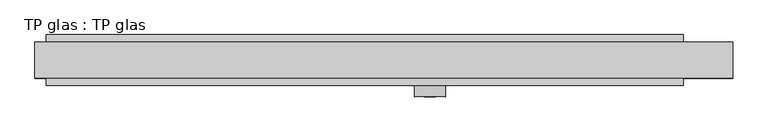
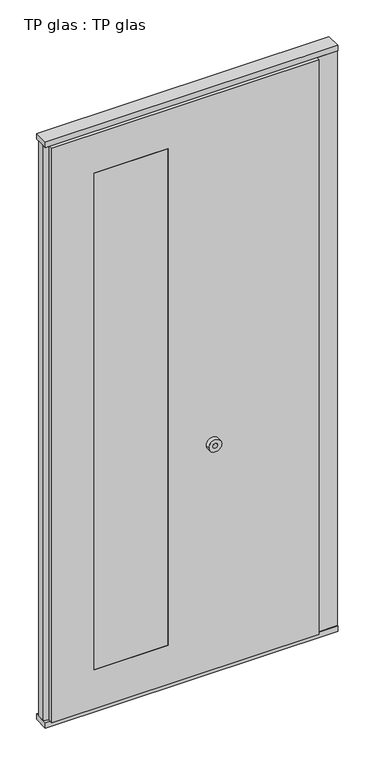
"""IFC4 building model written with IfcOpenShell, lengths in millimetres: plate geometry, TP glas : TP glas."""

import ifcopenshell
import ifcopenshell.guid

model = None  # the IFC model being written
_history = None  # IfcOwnerHistory: only IFC2X3 demands one
_inside = {}  # id of a spatial element -> (the spatial element, [elements in it])
_under = {}  # id of a project, library or spatial element -> (it, [spatial elements below it])
_declared = {}  # id of a project -> (the project, [libraries it declares])
_typed = {}  # id of a type object -> (the type object, [elements of that type])
_made_of = {}  # id of a material, layer set ... -> (it, [elements and type objects made of it])


def new_model(schema):
    """Start an empty IFC model of exactly this schema.

    Asked for "IFC4X3", IfcOpenShell would pick the latest addendum, in which some entities
    have other attributes; the version numbers below select the first issue.
    IFC2X3 requires an IfcOwnerHistory on every rooted entity: one is made here for all.
    """
    global model, _history
    if schema == "IFC4X3":
        model = ifcopenshell.file(schema_version=(4, 3, 0, 0))
    else:
        model = ifcopenshell.file(schema=schema)
    _inside.clear()
    _under.clear()
    _declared.clear()
    _typed.clear()
    _made_of.clear()
    _history = None
    if model.schema == "IFC2X3":
        org = make("IfcOrganization", Name="unknown")
        user = make(
            "IfcPersonAndOrganization",
            ThePerson=make("IfcPerson", FamilyName="unknown"),
            TheOrganization=org,
        )
        app = make(
            "IfcApplication",
            ApplicationDeveloper=org,
            Version="unknown",
            ApplicationFullName="unknown",
            ApplicationIdentifier="unknown",
        )
        _history = make(
            "IfcOwnerHistory",
            OwningUser=user,
            OwningApplication=app,
            ChangeAction="ADDED",
            CreationDate=0,
        )
    return model


def make(cls, **values):
    """One entity of the class cls with the attributes given. An attribute that is None is left unset."""
    return model.create_entity(
        cls, **{name: value for name, value in values.items() if value is not None}
    )


def rooted(cls, **values):
    """An entity with a GlobalId (a new one), such as an element, a storey or a relation."""
    return make(cls, GlobalId=ifcopenshell.guid.new(), OwnerHistory=_history, **values)


def si_unit(unit_type, name, prefix=None):
    """IfcSIUnit, for example si_unit("LENGTHUNIT", "METRE", prefix="MILLI")."""
    return make("IfcSIUnit", UnitType=unit_type, Prefix=prefix, Name=name)


def assignment(units):
    """IfcUnitAssignment: the units of a project."""
    return None if units is None else make("IfcUnitAssignment", Units=units)


def point(xyz):
    """IfcCartesianPoint."""
    return None if xyz is None else make("IfcCartesianPoint", Coordinates=xyz)


def direction(xyz):
    """IfcDirection."""
    return None if xyz is None else make("IfcDirection", DirectionRatios=xyz)


def frame(location, z_axis=None, x_axis=None):
    """IfcAxis2Placement3D, a coordinate frame: its origin and axes. An axis left out is left unset."""
    return make(
        "IfcAxis2Placement3D",
        Location=point(location),
        Axis=direction(z_axis),
        RefDirection=direction(x_axis),
    )


def frame_2d(location, x_axis=None):
    """IfcAxis2Placement2D, a coordinate frame in the plane: its origin and x axis."""
    return make(
        "IfcAxis2Placement2D", Location=point(location), RefDirection=direction(x_axis)
    )


def origin():
    """The frame at (0, 0, 0) with its axes left unset."""
    return frame((0.0, 0.0, 0.0))


def origin_with_axes():
    """The frame at (0, 0, 0) with the z axis (0, 0, 1) and the x axis (1, 0, 0) written out."""
    return frame((0.0, 0.0, 0.0), z_axis=(0.0, 0.0, 1.0), x_axis=(1.0, 0.0, 0.0))


def place(relative_to, where):
    """IfcLocalPlacement: puts the frame where relative to a parent placement (None: the world)."""
    return make(
        "IfcLocalPlacement", PlacementRelTo=relative_to, RelativePlacement=where
    )


def context(
    kind, dimensions, precision=None, world=None, true_north=None, identifier=None
):
    """IfcGeometricRepresentationContext, for example the 3D "Model" context."""
    return make(
        "IfcGeometricRepresentationContext",
        ContextIdentifier=identifier,
        ContextType=kind,
        CoordinateSpaceDimension=dimensions,
        Precision=precision,
        WorldCoordinateSystem=world,
        TrueNorth=true_north,
    )


def project(units=None, contexts=None):
    """IfcProject with its units and contexts."""
    return rooted(
        "IfcProject",
        Name="project",
        RepresentationContexts=contexts,
        UnitsInContext=assignment(units),
    )


def spatial(cls, under=None, at=None, **own):
    """A site, building, storey or space (cls), placed at a placement, below another one or the project."""
    s = rooted(cls, ObjectPlacement=at, **own)
    if under is not None:
        _under.setdefault(under.id(), (under, []))[1].append(s)
    return s


def polyline(points):
    """IfcPolyline through the points."""
    return make("IfcPolyline", Points=[point(p) for p in points])


def circle_curve(where, radius):
    """IfcCircle in the frame where."""
    return make("IfcCircle", Position=where, Radius=radius)


def trimmed(basis, trim1, trim2, sense, master):
    """IfcTrimmedCurve: the piece of a basis curve between two trims."""
    return make(
        "IfcTrimmedCurve",
        BasisCurve=basis,
        Trim1=trim1,
        Trim2=trim2,
        SenseAgreement=sense,
        MasterRepresentation=master,
    )


def segment(curve, same_sense, transition):
    """IfcCompositeCurveSegment."""
    return make(
        "IfcCompositeCurveSegment",
        Transition=transition,
        SameSense=same_sense,
        ParentCurve=curve,
    )


def composite_curve(segments, self_intersect=None):
    """IfcCompositeCurve: segments joined end to end."""
    return make("IfcCompositeCurve", Segments=segments, SelfIntersect=self_intersect)


def outline(outer, holes=None, kind="AREA"):
    """IfcArbitraryClosedProfileDef: a profile drawn as a closed curve; with holes, ...WithVoids."""
    if holes is None:
        return make("IfcArbitraryClosedProfileDef", ProfileType=kind, OuterCurve=outer)
    return make(
        "IfcArbitraryProfileDefWithVoids",
        ProfileType=kind,
        OuterCurve=outer,
        InnerCurves=holes,
    )


def extrude(swept, where, along, depth):
    """IfcExtrudedAreaSolid: the profile swept, set in the frame where, extruded along a direction by depth."""
    return make(
        "IfcExtrudedAreaSolid",
        SweptArea=swept,
        Position=where,
        ExtrudedDirection=direction(along),
        Depth=depth,
    )


def faces_of(points, faces, orient=None, outer=None):
    """IfcFace entities. A face is a list of loops; a loop is a list of indices into points, from 0.

    orient and outer hold one flag for each loop. By default every Orientation is true, the
    first loop of a face is its IfcFaceOuterBound and the others are IfcFaceBound.
    """
    made = []
    for i, loops in enumerate(faces):
        bounds = []
        for j, loop in enumerate(loops):
            is_outer = j == 0 if outer is None else outer[i][j]
            bounds.append(
                make(
                    "IfcFaceOuterBound" if is_outer else "IfcFaceBound",
                    Bound=make("IfcPolyLoop", Polygon=[points[k] for k in loop]),
                    Orientation=True if orient is None else orient[i][j],
                )
            )
        made.append(make("IfcFace", Bounds=bounds))
    return made


def faceted_brep(points, faces, orient=None, outer=None, voids=None):
    """IfcFacetedBrep: a solid bounded by flat faces; with voids (closed shells), ...WithVoids."""
    shared = [point(p) for p in points]
    hull = make("IfcClosedShell", CfsFaces=faces_of(shared, faces, orient, outer))
    if voids is None:
        return make("IfcFacetedBrep", Outer=hull)
    return make(
        "IfcFacetedBrepWithVoids",
        Outer=hull,
        Voids=[
            make(cls, CfsFaces=faces_of(shared, fs, o, b)) for cls, fs, o, b in voids
        ],
    )


def shape(context_of_items, identifier, shape_type, items):
    """IfcShapeRepresentation: the items that make up one representation, for example the "Body"."""
    return make(
        "IfcShapeRepresentation",
        ContextOfItems=context_of_items,
        RepresentationIdentifier=identifier,
        RepresentationType=shape_type,
        Items=items,
    )


def source(mapping_origin, context_of_items, identifier, shape_type, items):
    """IfcRepresentationMap: a shape defined once, which mapped items show again and again."""
    return make(
        "IfcRepresentationMap",
        MappingOrigin=mapping_origin,
        MappedRepresentation=shape(context_of_items, identifier, shape_type, items),
    )


def transform(
    local_origin,
    x_axis=None,
    y_axis=None,
    z_axis=None,
    scale=None,
    scale2=None,
    scale3=None,
    uniform=True,
):
    """IfcCartesianTransformationOperator3D, or its non-uniform kind. x_axis, y_axis, z_axis: its Axis1, 2, 3."""
    if uniform:
        return make(
            "IfcCartesianTransformationOperator3D",
            Axis1=direction(x_axis),
            Axis2=direction(y_axis),
            LocalOrigin=point(local_origin),
            Scale=scale,
            Axis3=direction(z_axis),
        )
    return make(
        "IfcCartesianTransformationOperator3DnonUniform",
        Axis1=direction(x_axis),
        Axis2=direction(y_axis),
        LocalOrigin=point(local_origin),
        Scale=scale,
        Axis3=direction(z_axis),
        Scale2=scale2,
        Scale3=scale3,
    )


def mapped(mapping_source, mapping_target):
    """IfcMappedItem: shows the shape of a source again, moved by a transform."""
    return make(
        "IfcMappedItem", MappingSource=mapping_source, MappingTarget=mapping_target
    )


def made_of(thing, what):
    """Note that an element or type object is made of a material, layer set ...; save() writes the relation."""
    if what is not None:
        _made_of.setdefault(what.id(), (what, []))[1].append(thing)
    return thing


def element(
    cls,
    number,
    at=None,
    inside=None,
    cuts=None,
    type_object=None,
    material=None,
    context=None,
    identifier="Body",
    shape_type=None,
    held_by="IfcProductDefinitionShape",
    body=None,
    shapes=None,
    **own,
):
    """One element of the class cls, such as IfcWall. Its Tag is "e" and its number.

    at: its placement. inside: the storey or other place that contains it. cuts: it is an
    opening in that element (IfcRelVoidsElement). A single representation is given by context,
    identifier, shape_type and body (its items); several are given by shapes. held_by: the class
    of the entity that holds the representations. save() writes the other relations.
    """
    e = rooted(cls, Tag="e%d" % number, ObjectPlacement=at, **own)
    if body is not None:
        shapes = [shape(context, identifier, shape_type, body)]
    if shapes is not None:
        e.Representation = make(held_by, Representations=shapes)
    if inside is not None:
        _inside.setdefault(inside.id(), (inside, []))[1].append(e)
    if cuts is not None:
        rooted(
            "IfcRelVoidsElement", RelatingBuildingElement=cuts, RelatedOpeningElement=e
        )
    if type_object is not None:
        _typed.setdefault(type_object.id(), (type_object, []))[1].append(e)
    return made_of(e, material)


def aggregate(whole, parts):
    """IfcRelAggregates: a whole, such as a stair, and the parts it consists of."""
    return rooted("IfcRelAggregates", RelatingObject=whole, RelatedObjects=parts)


def save(model, path):
    """Write the relations noted so far, then the file.

    IfcRelAggregates (storeys below a building ...), IfcRelContainedInSpatialStructure (elements
    in a storey), IfcRelDefinesByType, IfcRelAssociatesMaterial and IfcRelDeclares: one each for
    every whole, place, type object, material and project.
    """
    for whole, parts in _under.values():
        aggregate(whole, parts)
    for where, things in _inside.values():
        rooted(
            "IfcRelContainedInSpatialStructure",
            RelatedElements=things,
            RelatingStructure=where,
        )
    for kind, things in _typed.values():
        rooted("IfcRelDefinesByType", RelatedObjects=things, RelatingType=kind)
    for what, things in _made_of.values():
        rooted("IfcRelAssociatesMaterial", RelatedObjects=things, RelatingMaterial=what)
    for by, libraries in _declared.values():
        rooted("IfcRelDeclares", RelatingContext=by, RelatedDefinitions=libraries)
    model.write(path)


def tp_glas_tp_glas_3463cdcf(model_context):
    return source(origin(), model_context, "Body", "SolidModel", [
        faceted_brep([(-600.0, -22.9993165, 25.0), (-600.0, -45.0, 25.0), (-600.0, -45.0, 2602.0), (-600.0, -22.9993165, 2602.0), (-620.0, -17.6401049, 25.0), (-620.0, -17.6401049, 2602.0), (-620.0, 17.6401049, 25.0), (-620.0, 17.6401049, 2602.0), (-600.0, 22.9993165, 25.0), (-600.0, 22.9993165, 2602.0), (-600.0, 45.0, 25.0), (-600.0, 45.0, 2602.0), (532.0507813, 45.0, 25.0), (532.0507813, 30.5, 25.0), (620.0, 30.5, 25.0), (620.0, -30.5, 25.0), (532.0507813, -30.5, 25.0), (532.0507813, -45.0, 25.0), (532.0507813, 45.0, 2602.0), (532.0507813, 30.5, 2602.0), (620.0, 30.5, 2602.0), (620.0, -30.5, 2602.0), (532.0507813, -30.5, 2602.0), (532.0507813, -45.0, 2602.0), (-420.0, -45.0, 2427.0), (-107.9492187, -45.0, 2427.0), (-107.9492187, -45.0, 200.0), (-420.0, -45.0, 200.0), (-107.9492187, 45.0, 2427.0), (-420.0, 45.0, 2427.0), (-420.0, 45.0, 200.0), (-107.9492187, 45.0, 200.0)], [[[0, 1, 2, 3]], [[4, 0, 3, 5]], [[6, 4, 5, 7]], [[8, 6, 7, 9]], [[10, 8, 9, 11]], [[12, 13, 14, 15, 16, 17, 1, 0, 4, 6, 8, 10]], [[13, 12, 18, 19]], [[14, 13, 19, 20]], [[15, 14, 20, 21]], [[16, 15, 21, 22]], [[17, 16, 22, 23]], [[1, 17, 23, 2], [24, 25, 26, 27]], [[11, 18, 12, 10], [28, 29, 30, 31]], [[23, 22, 21, 20, 19, 18, 11, 9, 7, 5, 3, 2]], [[28, 25, 24, 29]], [[29, 24, 27, 30]], [[30, 27, 26, 31]], [[25, 28, 31, 26]]]),
        extrude(outline(polyline([(-620.0, -32.0), (-620.0, 32.0), (620.0, 32.0), (620.0, -32.0), (-620.0, -32.0)])), origin_with_axes(), (0.0, 0.0, 1.0), 25.0),
        extrude(outline(polyline([(-620.0, -32.0), (-620.0, 32.0), (620.0, 32.0), (620.0, -32.0), (-620.0, -32.0)])), frame((0.0, 0.0, 2602.0), z_axis=(0.0, 0.0, 1.0), x_axis=(1.0, 0.0, 0.0)), (0.0, 0.0, 1.0), 25.0),
        extrude(outline(composite_curve([segment(trimmed(circle_curve(frame_2d((1040.0, 82.0507812)), 27.5), [point((1040.0, 109.5507812))], [point((1040.0, 54.5507812))], False, "CARTESIAN"), True, "CONTINUOUS"), segment(trimmed(circle_curve(frame_2d((1040.0, 82.0507812)), 27.5), [point((1040.0, 54.5507812))], [point((1040.0, 109.5507812))], False, "CARTESIAN"), True, "CONTINUOUS")], self_intersect=False), holes=[composite_curve([segment(trimmed(circle_curve(frame_2d((1040.0, 82.0507812)), 10.0), [point((1040.0, 92.0507812))], [point((1040.0, 72.0507812))], True, "CARTESIAN"), True, "CONTINUOUS"), segment(trimmed(circle_curve(frame_2d((1040.0, 82.0507812)), 10.0), [point((1040.0, 72.0507812))], [point((1040.0, 92.0507812))], True, "CARTESIAN"), True, "CONTINUOUS")], self_intersect=False)]), frame((0.0, -65.0, 0.0), z_axis=(0.0, 1.0, 0.0), x_axis=(0.0, 0.0, 1.0)), (0.0, 0.0, 1.0), 20.0),
        extrude(outline(polyline([(-107.9492187, -45.0), (-420.0, -45.0), (-420.0, 45.0), (-107.9492187, 45.0), (-107.9492187, -45.0)])), frame((0.0, 0.0, 200.0), z_axis=(0.0, 0.0, 1.0), x_axis=(1.0, 0.0, 0.0)), (0.0, 0.0, 1.0), 2227.0),
    ])


if __name__ == "__main__":
    model = new_model("IFC4")
    model_context = context("Model", 3, world=origin())
    ifc_project = project(units=[si_unit("LENGTHUNIT", "METRE", prefix="MILLI")], contexts=[model_context])
    site = spatial("IfcSite", under=ifc_project)
    building = spatial("IfcBuilding", under=site)
    placement = place(None, origin())
    tp_glas_tp_glas_shape = tp_glas_tp_glas_3463cdcf(model_context)
    element("IfcPlate", 1, ObjectType="TP glas : TP glas", at=placement, inside=building, context=model_context, shape_type="MappedRepresentation", body=[
        mapped(tp_glas_tp_glas_shape, transform((0.0, 0.0, 0.0), x_axis=(1.0, 0.0, 0.0), y_axis=(0.0, 1.0, 0.0), z_axis=(0.0, 0.0, 1.0))),
    ])
    save(model, "model.ifc")
